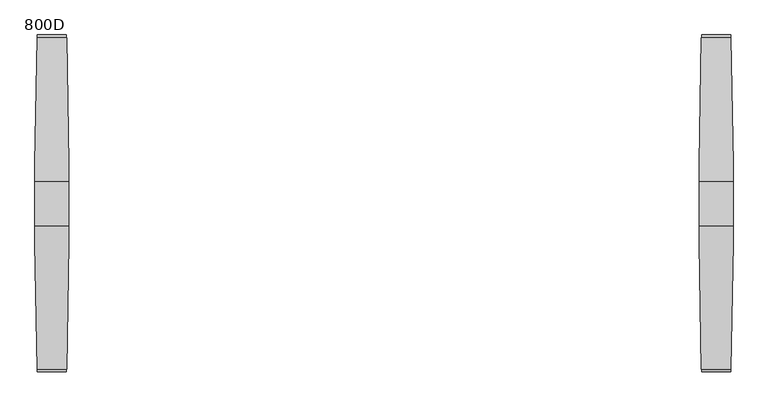
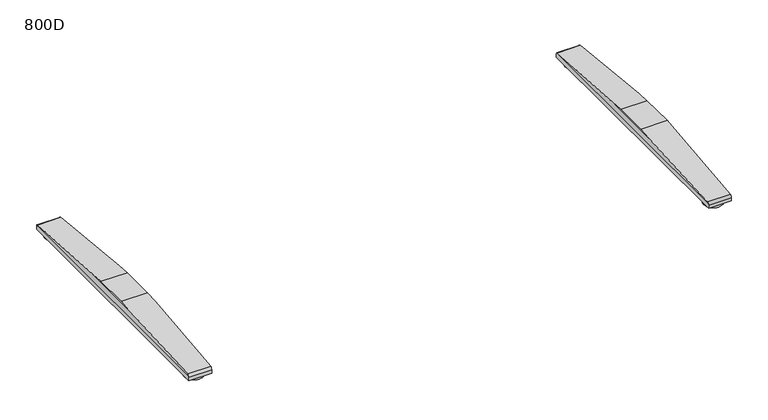
"""IFC4 building model written with IfcOpenShell, lengths in millimetres: furniture geometry, 800D."""

from ifc_helpers import new_model, si_unit, point, frame, frame_2d, origin, origin_with_axes, place, context, project, spatial, circle_curve, ellipse_curve, trimmed, segment, composite_curve, outline, extrude, source, transform, mapped, element, save
from ifc_brep_helpers import plane_surface, cylinder_surface, advanced_brep


def furniture_800d_531eeaf2(model_context):
    return source(origin(), model_context, "Body", "SolidModel", [
        advanced_brep(
        [(655.0040816, -45.9999756, 50.0000004), (655.0040816, 45.9999756, 50.0000004), (655.0040816, 82.452717, 47.0022421), (655.0040816, -82.4527181, 47.0022421), (725.0, 45.9999756, 50.0000004), (725.0, -45.9999756, 50.0000004), (725.0, -82.6981674, 46.9820571), (725.0, 82.6981662, 46.9820571), (720.6498787, 344.4917542, 25.4529794), (659.3582815, 344.4917542, 25.4529794), (659.3582815, -344.4917633, 25.4529794), (720.6498787, -344.4917633, 25.4529794), (660.0539142, -349.4372123, 22.0102408), (660.0539142, -350.0000027, 19.4731654), (719.954246, -350.0000027, 19.4731654), (719.954246, -349.4372123, 22.0102408), (660.0539142, -350.0000027, 10.0000005), (719.954246, -350.0000027, 10.0000005), (660.0539142, 349.9999913, 10.0000005), (719.954246, 349.9999913, 10.0000005), (660.0539142, 349.9999913, 19.4731679), (719.954246, 349.9999913, 19.4731679), (660.0539142, 349.4372019, 22.0102408), (719.954246, 349.4372019, 22.0102408)],
        [
            (0, 1),
            (1, 2),
            (2, 3),
            (3, 0),
            (4, 5),
            (5, 6),
            (6, 7),
            (7, 4),
            (1, 4),
            (7, 8),
            (8, 9),
            (9, 2),
            (0, 5),
            (3, 10),
            (10, 11),
            (11, 6),
            (10, 12, ellipse_curve(frame((660.5665505, -344.0000023, 19.4731654), z_axis=(0.9801908372046193, 0.0, 0.19805535251567288), x_axis=(-0.1980553525156731, 0.0, 0.9801908372046194)), 6.1212573, 6.0000004)),
            (12, 13, circle_curve(frame((660.0539142, -344.0000023, 19.4731654), z_axis=(1.0, 0.0, 0.0), x_axis=(0.0, 1.0, 0.0)), 6.0000004)),
            (13, 14),
            (14, 15, circle_curve(frame((719.954246, -344.0000023, 19.4731654), z_axis=(-1.0, 0.0, 0.0), x_axis=(0.0, 1.0, 0.0)), 6.0000004)),
            (15, 11, ellipse_curve(frame((719.4416097, -344.0000023, 19.4731654), z_axis=(-0.9801908372046148, 0.0, 0.1980553525156958), x_axis=(-0.198055352515695, 0.0, -0.9801908372046149)), 6.1212573, 6.0000004)),
            (13, 16),
            (16, 17),
            (17, 14),
            (16, 18),
            (18, 19),
            (19, 17),
            (18, 20),
            (20, 21),
            (21, 19),
            (20, 22, circle_curve(frame((660.0539142, 343.9999934, 19.4731679), z_axis=(1.0, 0.0, 0.0), x_axis=(0.0, 1.0, 0.0)), 5.9999979)),
            (22, 9, ellipse_curve(frame((660.56655, 343.9999934, 19.4731679), z_axis=(0.9801908372046193, 0.0, 0.19805535251567288), x_axis=(-0.1980553525156731, 0.0, 0.9801908372046194)), 6.1212548, 5.9999979)),
            (8, 23, ellipse_curve(frame((719.4416102, 343.9999934, 19.4731679), z_axis=(-0.9801908372046148, 0.0, 0.1980553525156958), x_axis=(-0.198055352515695, 0.0, -0.9801908372046149)), 6.1212548, 5.9999979)),
            (23, 21, circle_curve(frame((719.954246, 343.9999934, 19.4731679), z_axis=(-1.0, 0.0, 0.0), x_axis=(0.0, 1.0, 0.0)), 5.9999979)),
            (15, 23),
            (12, 22),
        ],
        [
            plane_surface(frame((655.0040816, 349.9999913, 19.4731679), z_axis=(-1.0, 0.0, 0.0), x_axis=(0.0, 0.0, -1.0))),
            plane_surface(frame((725.0, 349.9999913, 19.4731679), z_axis=(1.0, 0.0, 0.0), x_axis=(0.0, 0.0, 1.0))),
            plane_surface(frame((655.0040816, 45.9999756, 50.0000004), z_axis=(0.0, 0.08196016388479187, 0.996635606195152), x_axis=(1.0, 0.0, 0.0))),
            plane_surface(frame((655.0040816, -45.9999756, 50.0000004), z_axis=(0.0, 0.0, 1.0), x_axis=(1.0, 0.0, 0.0))),
            plane_surface(frame((655.0040816, -344.4917633, 25.4529794), z_axis=(0.0, -0.08196016140528317, 0.996635606399059), x_axis=(1.0, 0.0, 0.0))),
            cylinder_surface(frame((725.0, -344.0000023, 19.4731654), z_axis=(-1.0, 0.0, 0.0), x_axis=(0.0, 1.0, 0.0)), 6.0000004),
            plane_surface(frame((655.0040816, -350.0000027, 10.0000005), z_axis=(0.0, -1.0, 0.0), x_axis=(1.0, 0.0, 0.0))),
            plane_surface(frame((655.0040816, 349.9999913, 10.0000005), z_axis=(0.0, 0.0, -1.0), x_axis=(1.0, 0.0, 0.0))),
            plane_surface(frame((655.0040816, 349.9999913, 19.4731679), z_axis=(0.0, 1.0, 0.0), x_axis=(1.0, 0.0, 0.0))),
            cylinder_surface(frame((725.0, 343.9999934, 19.4731679), z_axis=(-1.0, 0.0, 0.0), x_axis=(0.0, 1.0, 0.0)), 5.9999979),
            plane_surface(frame((725.0, -350.0000027, 46.9820571), z_axis=(0.9801908372046148, 0.0, -0.1980553525156958), x_axis=(0.0, 1.0, 0.0))),
            plane_surface(frame((719.954246, -350.0000027, 22.0102408), z_axis=(1.0, 0.0, 0.0), x_axis=(0.0, 1.0, 0.0))),
            plane_surface(frame((660.0539142, -350.0000027, 10.0000005), z_axis=(-1.0, 0.0, 0.0), x_axis=(0.0, 1.0, 0.0))),
            plane_surface(frame((660.0539142, -350.0000027, 22.0102408), z_axis=(-0.9801908372046193, 0.0, -0.19805535251567288), x_axis=(0.0, 1.0, 0.0))),
        ],
        [
            (0, [[1, 2, 3, 4]]),
            (1, [[5, 6, 7, 8]]),
            (2, [[9, -8, 10, 11, 12, -2]]),
            (3, [[-1, 13, -5, -9]]),
            (4, [[-13, -4, 14, 15, 16, -6]]),
            (5, [[-15, 17, 18, 19, 20, 21]]),
            (6, [[-19, 22, 23, 24]]),
            (7, [[-23, 25, 26, 27]]),
            (8, [[-26, 28, 29, 30]]),
            (9, [[-29, 31, 32, -11, 33, 34]]),
            (10, [[35, -33, -10, -7, -16, -21]]),
            (11, [[-35, -20, -24, -27, -30, -34]]),
            (12, [[36, -31, -28, -25, -22, -18]]),
            (13, [[-36, -17, -14, -3, -12, -32]]),
        ],
    ),
        extrude(outline(composite_curve([segment(trimmed(circle_curve(frame_2d((690.0020408, 319.5181605)), 25.0), [point((715.0020408, 319.5181605))], [point((665.0020408, 319.5181605))], False, "CARTESIAN"), True, "CONTINUOUS"), segment(trimmed(circle_curve(frame_2d((690.0020408, 319.5181605)), 25.0), [point((665.0020408, 319.5181605))], [point((715.0020408, 319.5181605))], False, "CARTESIAN"), True, "CONTINUOUS")], self_intersect=False)), origin_with_axes(), (0.0, 0.0, 1.0), 10.0000005),
        extrude(outline(composite_curve([segment(trimmed(circle_curve(frame_2d((690.0020408, -319.5181605)), 25.0), [point((715.0020408, -319.5181605))], [point((665.0020408, -319.5181605))], False, "CARTESIAN"), True, "CONTINUOUS"), segment(trimmed(circle_curve(frame_2d((690.0020408, -319.5181605)), 25.0), [point((665.0020408, -319.5181605))], [point((715.0020408, -319.5181605))], False, "CARTESIAN"), True, "CONTINUOUS")], self_intersect=False)), origin_with_axes(), (0.0, 0.0, 1.0), 10.0000005),
        advanced_brep(
        [(-655.0040816, 45.9999756, 50.0000004), (-655.0040816, -45.9999756, 50.0000004), (-655.0040816, -82.4527181, 47.0022421), (-655.0040816, 82.452717, 47.0022421), (-725.0, -45.9999756, 50.0000004), (-725.0, 45.9999756, 50.0000004), (-725.0, 82.6981662, 46.9820571), (-725.0, -82.6981674, 46.9820571), (-659.3582815, 344.4917542, 25.4529794), (-720.6498787, 344.4917542, 25.4529794), (-720.6498787, -344.4917633, 25.4529794), (-659.3582815, -344.4917633, 25.4529794), (-719.954246, -349.4372123, 22.0102408), (-719.954246, -350.0000027, 19.4731654), (-660.0539142, -350.0000027, 19.4731654), (-660.0539142, -349.4372123, 22.0102408), (-719.954246, -350.0000027, 10.0000005), (-660.0539142, -350.0000027, 10.0000005), (-719.954246, 349.9999913, 10.0000005), (-660.0539142, 349.9999913, 10.0000005), (-719.954246, 349.9999913, 19.4731679), (-660.0539142, 349.9999913, 19.4731679), (-660.0539142, 349.4372019, 22.0102408), (-719.954246, 349.4372019, 22.0102408)],
        [
            (0, 1),
            (1, 2),
            (2, 3),
            (3, 0),
            (4, 5),
            (5, 6),
            (6, 7),
            (7, 4),
            (5, 0),
            (3, 8),
            (8, 9),
            (9, 6),
            (4, 1),
            (7, 10),
            (10, 11),
            (11, 2),
            (10, 12, ellipse_curve(frame((-719.4416097, -344.0000023, 19.4731654), z_axis=(0.980190837204615, 0.0, 0.19805535251569462), x_axis=(0.19805535251569453, 0.0, -0.980190837204615)), 6.1212573, 6.0000004)),
            (12, 13, circle_curve(frame((-719.954246, -344.0000023, 19.4731654), z_axis=(1.0, 0.0, 0.0), x_axis=(0.0, -1.0, 0.0)), 6.0000004)),
            (13, 14),
            (14, 15, circle_curve(frame((-660.0539142, -344.0000023, 19.4731654), z_axis=(-1.0, 0.0, 0.0), x_axis=(0.0, -1.0, 0.0)), 6.0000004)),
            (15, 11, ellipse_curve(frame((-660.5665505, -344.0000023, 19.4731654), z_axis=(-0.9801908372046192, 0.0, 0.19805535251567372), x_axis=(0.1980553525156734, 0.0, 0.9801908372046194)), 6.1212573, 6.0000004)),
            (13, 16),
            (16, 17),
            (17, 14),
            (16, 18),
            (18, 19),
            (19, 17),
            (18, 20),
            (20, 21),
            (21, 19),
            (8, 22, ellipse_curve(frame((-660.56655, 343.9999934, 19.4731679), z_axis=(-0.9801908372046192, 0.0, 0.19805535251567372), x_axis=(0.1980553525156734, 0.0, 0.9801908372046194)), 6.1212548, 5.9999979)),
            (22, 21, circle_curve(frame((-660.0539142, 343.9999934, 19.4731679), z_axis=(-1.0, 0.0, 0.0), x_axis=(0.0, -1.0, 0.0)), 5.9999979)),
            (20, 23, circle_curve(frame((-719.954246, 343.9999934, 19.4731679), z_axis=(1.0, 0.0, 0.0), x_axis=(0.0, -1.0, 0.0)), 5.9999979)),
            (23, 9, ellipse_curve(frame((-719.4416102, 343.9999934, 19.4731679), z_axis=(0.980190837204615, 0.0, 0.19805535251569462), x_axis=(0.19805535251569453, 0.0, -0.980190837204615)), 6.1212548, 5.9999979)),
            (23, 12),
            (22, 15),
        ],
        [
            plane_surface(frame((-655.0040816, 46.2454694, 49.9798118), z_axis=(1.0, 0.0, 0.0), x_axis=(0.0, -0.996635606195152, 0.08196016388479188))),
            plane_surface(frame((-725.0, 46.2454694, 49.9798118), z_axis=(-1.0, 0.0, 0.0), x_axis=(0.0, 0.996635606195152, -0.08196016388479188))),
            plane_surface(frame((-655.0040816, 344.4917542, 25.4529794), z_axis=(0.0, 0.08196016388479188, 0.996635606195152), x_axis=(-1.0, 0.0, 0.0))),
            plane_surface(frame((-655.0040816, 45.9999756, 50.0000004), z_axis=(0.0, 0.0, 1.0), x_axis=(-1.0, 0.0, 0.0))),
            plane_surface(frame((-655.0040816, -45.9999756, 50.0000004), z_axis=(0.0, -0.0819601614052832, 0.996635606399059), x_axis=(-1.0, 0.0, 0.0))),
            cylinder_surface(frame((-725.0, -344.0000023, 19.4731654), z_axis=(1.0, 0.0, 0.0), x_axis=(0.0, -1.0, 0.0)), 6.0000004),
            plane_surface(frame((-655.0040816, -350.0000027, 19.4731654), z_axis=(0.0, -1.0, 0.0), x_axis=(-1.0, 0.0, 0.0))),
            plane_surface(frame((-655.0040816, -350.0000027, 10.0000005), z_axis=(0.0, 0.0, -1.0), x_axis=(-1.0, 0.0, 0.0))),
            plane_surface(frame((-655.0040816, 349.9999913, 10.0000005), z_axis=(0.0, 1.0, 0.0), x_axis=(-1.0, 0.0, 0.0))),
            cylinder_surface(frame((-725.0, 343.9999934, 19.4731679), z_axis=(1.0, 0.0, 0.0), x_axis=(0.0, -1.0, 0.0)), 5.9999979),
            plane_surface(frame((-719.954246, -350.0000027, 22.0102408), z_axis=(-0.980190837204615, 0.0, -0.19805535251569462), x_axis=(0.0, 1.0, 0.0))),
            plane_surface(frame((-719.954246, -350.0000027, 10.0000005), z_axis=(-1.0, 0.0, 0.0), x_axis=(0.0, 1.0, 0.0))),
            plane_surface(frame((-660.0539142, -350.0000027, 22.0102408), z_axis=(1.0, 0.0, 0.0), x_axis=(0.0, 1.0, 0.0))),
            plane_surface(frame((-655.0040816, -350.0000027, 47.0022421), z_axis=(0.9801908372046192, 0.0, -0.19805535251567372), x_axis=(0.0, 1.0, 0.0))),
        ],
        [
            (0, [[1, 2, 3, 4]]),
            (1, [[5, 6, 7, 8]]),
            (2, [[9, -4, 10, 11, 12, -6]]),
            (3, [[-1, -9, -5, 13]]),
            (4, [[-13, -8, 14, 15, 16, -2]]),
            (5, [[-15, 17, 18, 19, 20, 21]]),
            (6, [[-19, 22, 23, 24]]),
            (7, [[-23, 25, 26, 27]]),
            (8, [[-26, 28, 29, 30]]),
            (9, [[-11, 31, 32, -29, 33, 34]]),
            (10, [[35, -17, -14, -7, -12, -34]]),
            (11, [[-35, -33, -28, -25, -22, -18]]),
            (12, [[36, -20, -24, -27, -30, -32]]),
            (13, [[-36, -31, -10, -3, -16, -21]]),
        ],
    ),
        extrude(outline(composite_curve([segment(trimmed(circle_curve(frame_2d((-690.0020408, 319.5181605)), 25.0), [point((-715.0020408, 319.5181605))], [point((-665.0020408, 319.5181605))], False, "CARTESIAN"), True, "CONTINUOUS"), segment(trimmed(circle_curve(frame_2d((-690.0020408, 319.5181605)), 25.0), [point((-665.0020408, 319.5181605))], [point((-715.0020408, 319.5181605))], False, "CARTESIAN"), True, "CONTINUOUS")], self_intersect=False)), origin_with_axes(), (0.0, 0.0, 1.0), 10.0000005),
        extrude(outline(composite_curve([segment(trimmed(circle_curve(frame_2d((-690.0020408, -319.5181605)), 25.0), [point((-715.0020408, -319.5181605))], [point((-665.0020408, -319.5181605))], False, "CARTESIAN"), True, "CONTINUOUS"), segment(trimmed(circle_curve(frame_2d((-690.0020408, -319.5181605)), 25.0), [point((-665.0020408, -319.5181605))], [point((-715.0020408, -319.5181605))], False, "CARTESIAN"), True, "CONTINUOUS")], self_intersect=False)), origin_with_axes(), (0.0, 0.0, 1.0), 10.0000005),
    ])


if __name__ == "__main__":
    model = new_model("IFC4")
    model_context = context("Model", 3, world=origin())
    ifc_project = project(units=[si_unit("LENGTHUNIT", "METRE", prefix="MILLI")], contexts=[model_context])
    site = spatial("IfcSite", under=ifc_project)
    building = spatial("IfcBuilding", under=site)
    placement = place(None, origin())
    furniture_800d_shape = furniture_800d_531eeaf2(model_context)
    element("IfcFurniture", 1, ObjectType="800D", at=placement, inside=building, context=model_context, shape_type="MappedRepresentation", body=[
        mapped(furniture_800d_shape, transform((0.0, 0.0, 0.0), x_axis=(1.0, 0.0, 0.0), y_axis=(0.0, 1.0, 0.0), z_axis=(0.0, 0.0, 1.0))),
    ])
    save(model, "model.ifc")
